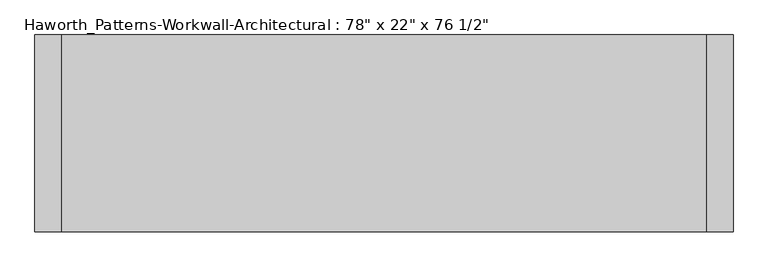
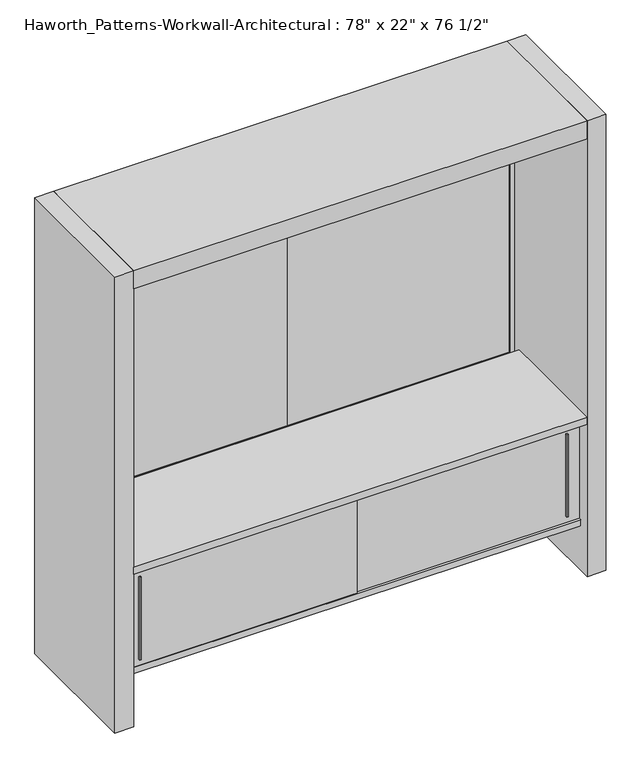
"""IFC4 building model written with IfcOpenShell, lengths in millimetres: furniture geometry."""

from ifc_helpers import new_model, si_unit, frame, origin, origin_with_axes, place, context, project, spatial, polyline, outline, extrude, source, transform, mapped, element, save


def furniture_eb6a2db9(model_context):
    return source(origin(), model_context, "Body", "SweptSolid", [
        extrude(outline(polyline([(-609.6, 333.375), (-1524.0, 333.375), (-1524.0, 352.425), (-609.6, 352.425), (-609.6, 333.375)])), frame((0.0, 0.0, 635.0), z_axis=(0.0, 0.0, 1.0), x_axis=(1.0, 0.0, 0.0)), (0.0, 0.0, 1.0), 1231.9),
        extrude(outline(polyline([(304.8, 333.375), (-609.6, 333.375), (-609.6, 352.425), (304.8, 352.425), (304.8, 333.375)])), frame((0.0, 0.0, 635.0), z_axis=(0.0, 0.0, 1.0), x_axis=(1.0, 0.0, 0.0)), (0.0, 0.0, 1.0), 1231.9),
        extrude(outline(polyline([(257.1750004, -130.1749879), (250.8249996, -130.1749879), (249.2375011, -117.475), (258.7624989, -117.475), (257.1750004, -130.1749879)])), frame((0.0, 0.0, 242.8875), z_axis=(0.0, 0.0, 1.0), x_axis=(1.0, 0.0, 0.0)), (0.0, 0.0, 1.0), 352.425),
        extrude(outline(polyline([(-1470.0249996, -136.5249879), (-1476.3750004, -136.5249879), (-1477.9624989, -123.825), (-1468.4375011, -123.825), (-1470.0249996, -136.5249879)])), frame((0.0, 0.0, 242.8875), z_axis=(0.0, 0.0, 1.0), x_axis=(1.0, 0.0, 0.0)), (0.0, 0.0, 1.0), 352.425),
        extrude(outline(polyline([(304.8, -101.6), (304.8, -133.35), (-1524.0, -133.35), (-1524.0, -101.6), (304.8, -101.6)])), frame((0.0, 0.0, 190.5), z_axis=(0.0, 0.0, 1.0), x_axis=(1.0, 0.0, 0.0)), (0.0, 0.0, 1.0), 25.4),
        extrude(outline(polyline([(304.8, -101.6), (304.8, -133.35), (-1524.0, -133.35), (-1524.0, -101.6), (304.8, -101.6)])), frame((0.0, 0.0, 622.3), z_axis=(0.0, 0.0, 1.0), x_axis=(1.0, 0.0, 0.0)), (0.0, 0.0, 1.0), 25.4),
        extrude(outline(polyline([(-1524.0, -123.825), (-596.9, -123.825), (-596.9, -130.175), (-1524.0, -130.175), (-1524.0, -123.825)])), frame((0.0, 0.0, 215.9), z_axis=(0.0, 0.0, 1.0), x_axis=(1.0, 0.0, 0.0)), (0.0, 0.0, 1.0), 406.4),
        extrude(outline(polyline([(-622.3, -117.475), (304.8, -117.475), (304.8, -123.825), (-622.3, -123.825), (-622.3, -117.475)])), frame((0.0, 0.0, 215.9), z_axis=(0.0, 0.0, 1.0), x_axis=(1.0, 0.0, 0.0)), (0.0, 0.0, 1.0), 406.4),
        extrude(outline(polyline([(-295.275, -101.6), (-314.325, -101.6), (-314.325, 330.2), (-295.275, 330.2), (-295.275, -101.6)])), frame((0.0, 0.0, 215.9), z_axis=(0.0, 0.0, 1.0), x_axis=(1.0, 0.0, 0.0)), (0.0, 0.0, 1.0), 406.4),
        extrude(outline(polyline([(-904.875, -101.6), (-923.925, -101.6), (-923.925, 330.2), (-904.875, 330.2), (-904.875, -101.6)])), frame((0.0, 0.0, 215.9), z_axis=(0.0, 0.0, 1.0), x_axis=(1.0, 0.0, 0.0)), (0.0, 0.0, 1.0), 406.4),
        extrude(outline(polyline([(304.8, 330.2), (304.8, -101.6), (-1524.0, -101.6), (-1524.0, 330.2), (304.8, 330.2)])), frame((0.0, 0.0, 622.3), z_axis=(0.0, 0.0, 1.0), x_axis=(1.0, 0.0, 0.0)), (0.0, 0.0, 1.0), 25.4),
        extrude(outline(polyline([(-101.6, 215.9), (330.2, 215.9), (330.2, 190.5), (123.825, 190.5), (123.825, 0.0), (104.775, 0.0), (104.775, 190.5), (-101.6, 190.5), (-101.6, 215.9)])), frame((-1524.0, 0.0, 0.0), z_axis=(1.0, 0.0, 0.0), x_axis=(0.0, 1.0, 0.0)), (0.0, 0.0, 1.0), 1828.8),
        extrude(outline(polyline([(1866.9, 304.8), (1866.9, -1524.0), (635.0, -1524.0), (635.0, 304.8), (1866.9, 304.8)]), holes=[polyline([(1847.85, 285.75), (654.05, 285.75), (654.05, -1504.95), (1847.85, -1504.95), (1847.85, 285.75)])]), frame((0.0, 330.2, 0.0), z_axis=(0.0, 1.0, 0.0), x_axis=(0.0, 0.0, 1.0)), (0.0, 0.0, 1.0), 25.4),
        extrude(outline(polyline([(285.75, 330.2), (-1504.95, 330.2), (-1504.95, 355.6), (285.75, 355.6), (285.75, 330.2)])), frame((0.0, 0.0, 114.3), z_axis=(0.0, 0.0, 1.0), x_axis=(1.0, 0.0, 0.0)), (0.0, 0.0, 1.0), 495.3),
        extrude(outline(polyline([(-1524.0, 295.275), (304.8, 295.275), (304.8, -177.8), (-1524.0, -177.8), (-1524.0, 295.275)])), frame((0.0, 0.0, 649.2875), z_axis=(0.0, 0.0, 1.0), x_axis=(1.0, 0.0, 0.0)), (0.0, 0.0, 1.0), 30.1625),
        extrude(outline(polyline([(635.0, 304.8), (635.0, -1524.0), (0.0, -1524.0), (0.0, 304.8), (635.0, 304.8)]), holes=[polyline([(609.6, 285.75), (114.3, 285.75), (114.3, -1504.95), (609.6, -1504.95), (609.6, 285.75)])]), frame((0.0, 330.2, 0.0), z_axis=(0.0, 1.0, 0.0), x_axis=(0.0, 0.0, 1.0)), (0.0, 0.0, 1.0), 25.4),
        extrude(outline(polyline([(304.8, -177.8), (-1524.0, -177.8), (-1524.0, 381.0), (304.8, 381.0), (304.8, -177.8)])), frame((0.0, 0.0, 1866.9), z_axis=(0.0, 0.0, 1.0), x_axis=(1.0, 0.0, 0.0)), (0.0, 0.0, 1.0), 76.2),
        extrude(outline(polyline([(381.0, 381.0), (381.0, -177.8), (304.8, -177.8), (304.8, 381.0), (381.0, 381.0)])), origin_with_axes(), (0.0, 0.0, 1.0), 1943.1),
        extrude(outline(polyline([(-1524.0, 381.0), (-1524.0, -177.8), (-1600.2, -177.8), (-1600.2, 381.0), (-1524.0, 381.0)])), origin_with_axes(), (0.0, 0.0, 1.0), 1943.1),
    ])


if __name__ == "__main__":
    model = new_model("IFC4")
    model_context = context("Model", 3, world=origin())
    ifc_project = project(units=[si_unit("LENGTHUNIT", "METRE", prefix="MILLI")], contexts=[model_context])
    site = spatial("IfcSite", under=ifc_project)
    building = spatial("IfcBuilding", under=site)
    placement = place(None, origin())
    furniture_shape = furniture_eb6a2db9(model_context)
    element("IfcFurniture", 1, ObjectType="Haworth_Patterns-Workwall-Architectural : 78\" x 22\" x 76 1/2\"", at=placement, inside=building, context=model_context, shape_type="MappedRepresentation", body=[
        mapped(furniture_shape, transform((0.0, 0.0, 0.0), x_axis=(1.0, 0.0, 0.0), y_axis=(0.0, 1.0, 0.0), z_axis=(0.0, 0.0, 1.0))),
    ])
    save(model, "model.ifc")
